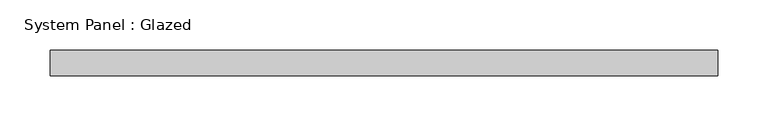
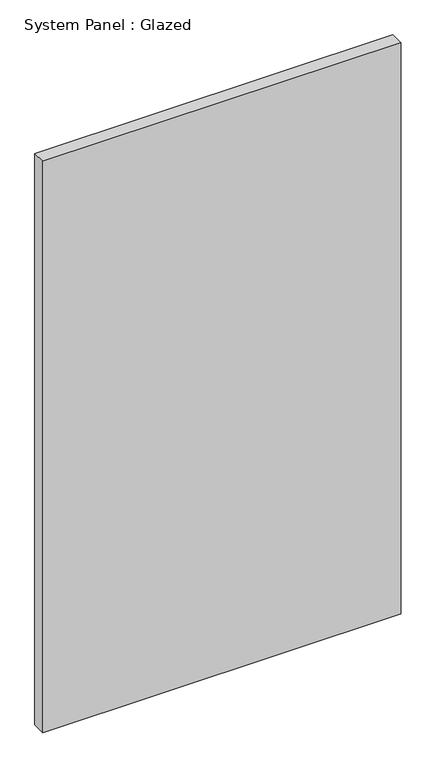
"""IFC4 building model written with IfcOpenShell, lengths in millimetres: plate geometry, System Panel : Glazed."""

from ifc_helpers import new_model, si_unit, origin, origin_with_axes, place, context, project, spatial, polyline, outline, extrude, source, transform, mapped, element, save


def system_panel_glazed_a6e2f585(model_context):
    return source(origin(), model_context, "Body", "SweptSolid", [
        extrude(outline(polyline([(333.375, 19.05), (-333.375, 19.05), (-333.375, 44.45), (333.375, 44.45), (333.375, 19.05)])), origin_with_axes(), (0.0, 0.0, 1.0), 1123.95),
    ])


if __name__ == "__main__":
    model = new_model("IFC4")
    model_context = context("Model", 3, world=origin())
    ifc_project = project(units=[si_unit("LENGTHUNIT", "METRE", prefix="MILLI")], contexts=[model_context])
    site = spatial("IfcSite", under=ifc_project)
    building = spatial("IfcBuilding", under=site)
    placement = place(None, origin())
    system_panel_glazed_shape = system_panel_glazed_a6e2f585(model_context)
    element("IfcPlate", 1, ObjectType="System Panel : Glazed", at=placement, inside=building, context=model_context, shape_type="MappedRepresentation", body=[
        mapped(system_panel_glazed_shape, transform((0.0, 0.0, 0.0), x_axis=(1.0, 0.0, 0.0), y_axis=(0.0, 1.0, 0.0), z_axis=(0.0, 0.0, 1.0))),
    ])
    save(model, "model.ifc")
